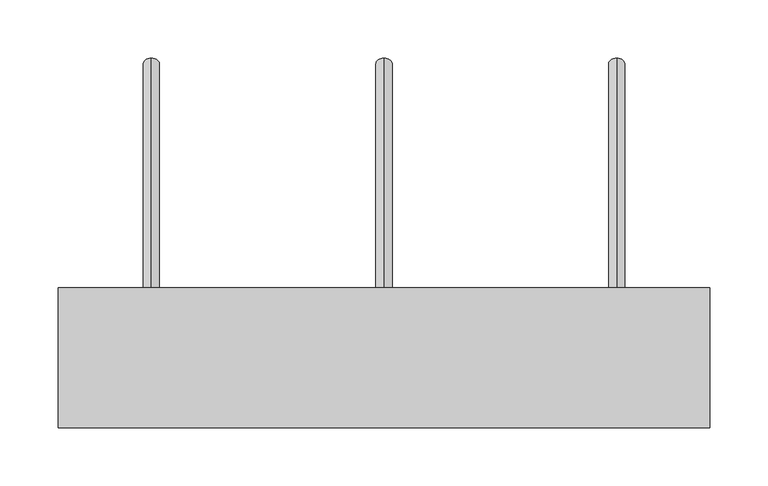
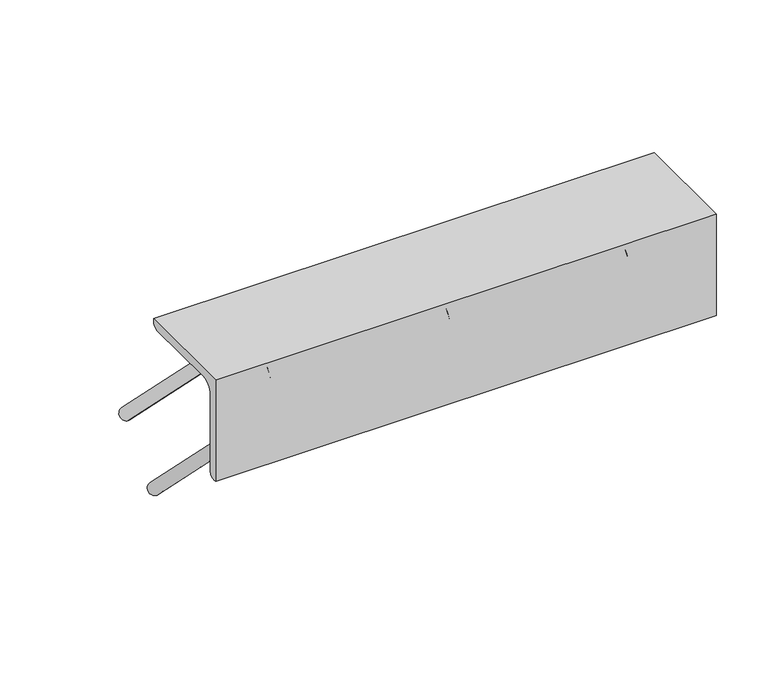
"""IFC4 building model written with IfcOpenShell, lengths in millimetres: fastener geometry."""

from ifc_helpers import new_model, si_unit, point, frame, frame_2d, origin, place, context, project, spatial, polyline, circle_curve, ellipse_curve, trimmed, segment, composite_curve, outline, extrude, source, transform, mapped, element, save
from ifc_brep_helpers import plane_surface, cylinder_surface, revolved_surface, advanced_brep


def fastener_c03353ce(model_context):
    return source(origin(), model_context, "Body", "SolidModel", [
        extrude(outline(composite_curve([segment(polyline([(0.0, 0.0), (120.0, 0.0), (120.0, -3.5)]), True, "CONTINUOUS"), segment(trimmed(circle_curve(frame_2d((113.5, -3.5)), 6.5), [point((120.0, -3.5))], [point((113.5, -10.0))], False, "CARTESIAN"), True, "CONTINUOUS"), segment(polyline([(113.5, -10.0), (23.0, -10.0)]), True, "CONTINUOUS"), segment(trimmed(circle_curve(frame_2d((23.0, -23.0)), 13.0), [point((23.0, -10.0))], [point((10.0, -23.0))], True, "CARTESIAN"), True, "CONTINUOUS"), segment(polyline([(10.0, -23.0), (10.0, -113.5)]), True, "CONTINUOUS"), segment(trimmed(circle_curve(frame_2d((3.5, -113.5)), 6.5), [point((10.0, -113.5))], [point((3.5, -120.0))], False, "CARTESIAN"), True, "CONTINUOUS"), segment(polyline([(3.5, -120.0), (0.0, -120.0), (0.0, 0.0)]), True, "CONTINUOUS")], self_intersect=False)), frame((-280.0, 0.0, 0.0), z_axis=(1.0, 0.0, 0.0), x_axis=(0.0, 1.0, 0.0)), (0.0, 0.0, 1.0), 560.0),
        advanced_brep(
        [(0.0, 262.4371209, -307.5376259), (0.0, 252.5376259, -317.4371209), (0.0, 307.5376259, -262.4371209), (0.0, 317.4371209, -252.5376259), (0.0, 47.0, -10.0), (0.0, 47.0, -24.0), (0.0, 65.7867966, -24.0), (0.0, 65.7867966, -10.0), (0.0, 10.0, -47.0), (0.0, 24.0, -47.0), (0.0, 10.0, -65.7867966), (0.0, 24.0, -65.7867966), (0.0, 26.3431458, -71.4436508), (0.0, 16.4436508, -81.3431458), (0.0, 81.3431458, -16.4436508), (0.0, 71.4436508, -26.3431458)],
        [
            (0, 1, circle_curve(frame((0.0, 257.4873734, -312.4873734), z_axis=(0.0, 0.7071067811865481, -0.7071067811865469), x_axis=(0.0, -0.7071067811865469, -0.7071067811865481)), 7.0)),
            (1, 0, circle_curve(frame((0.0, 257.4873734, -312.4873734), z_axis=(0.0, 0.7071067811865481, -0.7071067811865469), x_axis=(0.0, -0.7071067811865469, -0.7071067811865481)), 7.0)),
            (2, 3, circle_curve(frame((0.0, 312.4873734, -257.4873734), z_axis=(0.0, 0.7071067811865481, -0.707106781186547), x_axis=(0.0, 0.707106781186547, 0.7071067811865481)), 7.0)),
            (3, 2, circle_curve(frame((0.0, 312.4873734, -257.4873734), z_axis=(0.0, 0.7071067811865481, -0.707106781186547), x_axis=(0.0, 0.707106781186547, 0.7071067811865481)), 7.0)),
            (4, 5, circle_curve(frame((0.0, 47.0, -17.0), z_axis=(0.0, 1.0, 0.0), x_axis=(0.0, 0.0, 1.0)), 7.0)),
            (5, 6),
            (6, 7, circle_curve(frame((0.0, 65.7867966, -17.0), z_axis=(0.0, -1.0, 0.0), x_axis=(0.0, 0.0, 1.0)), 7.0)),
            (7, 4),
            (5, 4, circle_curve(frame((0.0, 47.0, -17.0), z_axis=(0.0, 1.0, 0.0), x_axis=(0.0, 0.0, 1.0)), 7.0)),
            (7, 6, circle_curve(frame((0.0, 65.7867966, -17.0), z_axis=(0.0, -1.0, 0.0), x_axis=(0.0, 0.0, 1.0)), 7.0)),
            (4, 8, circle_curve(frame((0.0, 47.0, -47.0), z_axis=(1.0, 0.0, 0.0), x_axis=(0.0, -1.0, 0.0)), 37.0)),
            (8, 9, circle_curve(frame((0.0, 17.0, -47.0), z_axis=(0.0, 0.0, 1.0), x_axis=(0.0, -1.0, 0.0)), 7.0)),
            (9, 5, circle_curve(frame((0.0, 47.0, -47.0), z_axis=(-1.0, 0.0, 0.0), x_axis=(0.0, -1.0, 0.0)), 23.0)),
            (9, 8, circle_curve(frame((0.0, 17.0, -47.0), z_axis=(0.0, 0.0, 1.0), x_axis=(0.0, -1.0, 0.0)), 7.0)),
            (10, 11, circle_curve(frame((0.0, 17.0, -65.7867966), z_axis=(0.0, 0.0, 1.0), x_axis=(0.0, -1.0, 0.0)), 7.0)),
            (11, 9),
            (8, 10),
            (11, 10, circle_curve(frame((0.0, 17.0, -65.7867966), z_axis=(0.0, 0.0, 1.0), x_axis=(0.0, -1.0, 0.0)), 7.0)),
            (0, 12),
            (12, 13, circle_curve(frame((0.0, 21.3933983, -76.3933983), z_axis=(0.0, 0.7071067811865481, -0.7071067811865469), x_axis=(0.0, -0.7071067811865469, -0.7071067811865481)), 7.0)),
            (13, 1),
            (13, 12, circle_curve(frame((0.0, 21.3933983, -76.3933983), z_axis=(0.0, 0.7071067811865481, -0.7071067811865469), x_axis=(0.0, -0.7071067811865469, -0.7071067811865481)), 7.0)),
            (10, 13, circle_curve(frame((0.0, 32.0, -65.7867966), z_axis=(1.0, 0.0, 0.0), x_axis=(0.0, -0.7071067811865468, -0.7071067811865482)), 22.0)),
            (12, 11, circle_curve(frame((0.0, 32.0, -65.7867966), z_axis=(-1.0, 0.0, 0.0), x_axis=(0.0, -0.7071067811865468, -0.7071067811865482)), 8.0)),
            (14, 7, circle_curve(frame((0.0, 65.7867966, -32.0), z_axis=(1.0, 0.0, 0.0), x_axis=(0.0, 0.0, 1.0)), 22.0)),
            (6, 15, circle_curve(frame((0.0, 65.7867966, -32.0), z_axis=(-1.0, 0.0, 0.0), x_axis=(0.0, 0.0, 1.0)), 8.0)),
            (15, 14, circle_curve(frame((0.0, 76.3933983, -21.3933983), z_axis=(0.0, -0.707106781186548, 0.707106781186547), x_axis=(0.0, 0.707106781186547, 0.707106781186548)), 7.0)),
            (14, 15, circle_curve(frame((0.0, 76.3933983, -21.3933983), z_axis=(0.0, -0.7071067811865479, 0.7071067811865471), x_axis=(0.0, 0.7071067811865471, 0.7071067811865479)), 7.0)),
            (15, 2),
            (3, 14),
        ],
        [
            plane_surface(frame((0.0, 257.4873734, -312.4873734), z_axis=(0.0, 0.7071067811865481, -0.7071067811865469), x_axis=(1.0, 0.0, 0.0))),
            plane_surface(frame((0.0, 312.4873734, -257.4873734), z_axis=(0.0, 0.707106781186548, -0.7071067811865471), x_axis=(1.0, 0.0, 0.0))),
            cylinder_surface(frame((0.0, 47.0, -17.0), z_axis=(0.0, -1.0, 0.0), x_axis=(0.0, 0.0, 1.0)), 7.0),
            revolved_surface(trimmed(ellipse_curve(frame((0.0, 17.0, -47.0), z_axis=(0.0, 0.0, -1.0), x_axis=(0.0, -1.0, 0.0)), 7.0, 7.0), [point((0.0, 24.0, -47.0))], [point((0.0, 10.0, -47.0))], True, "CARTESIAN"), (0.0, 47.0, -47.0), (-1.0, 0.0, 0.0)),
            revolved_surface(trimmed(ellipse_curve(frame((0.0, 17.0, -47.0), z_axis=(0.0, 0.0, -1.0), x_axis=(0.0, -1.0, 0.0)), 7.0, 7.0), [point((0.0, 10.0, -47.0))], [point((0.0, 24.0, -47.0))], True, "CARTESIAN"), (0.0, 47.0, -47.0), (-1.0, 0.0, 0.0)),
            cylinder_surface(frame((0.0, 17.0, -65.7867966), z_axis=(0.0, 0.0, -1.0), x_axis=(0.0, -1.0, 0.0)), 7.0),
            cylinder_surface(frame((0.0, 257.4873734, -312.4873734), z_axis=(0.0, 0.7071067811865481, -0.7071067811865469), x_axis=(0.0, -0.7071067811865469, -0.7071067811865481)), 7.0),
            revolved_surface(trimmed(ellipse_curve(frame((0.0, 21.3933983, -76.3933983), z_axis=(0.0, 0.7071067811865483, -0.7071067811865467), x_axis=(0.0, -0.7071067811865467, -0.7071067811865483)), 7.0, 7.0), [point((0.0, 26.3431458, -71.4436508))], [point((0.0, 16.4436508, -81.3431458))], True, "CARTESIAN"), (0.0, 32.0, -65.7867966), (-1.0, 0.0, 0.0)),
            revolved_surface(trimmed(ellipse_curve(frame((0.0, 21.3933983, -76.3933983), z_axis=(0.0, 0.7071067811865483, -0.7071067811865467), x_axis=(0.0, -0.7071067811865467, -0.7071067811865483)), 7.0, 7.0), [point((0.0, 16.4436508, -81.3431458))], [point((0.0, 26.3431458, -71.4436508))], True, "CARTESIAN"), (0.0, 32.0, -65.7867966), (-1.0, 0.0, 0.0)),
            revolved_surface(trimmed(ellipse_curve(frame((0.0, 65.7867966, -17.0), z_axis=(0.0, -1.0, 0.0), x_axis=(0.0, 0.0, 1.0)), 7.0, 7.0), [point((0.0, 65.7867966, -24.0))], [point((0.0, 65.7867966, -10.0))], True, "CARTESIAN"), (0.0, 65.7867966, -32.0), (-1.0, 0.0, 0.0)),
            revolved_surface(trimmed(ellipse_curve(frame((0.0, 65.7867966, -17.0), z_axis=(0.0, -1.0, 0.0), x_axis=(0.0, 0.0, 1.0)), 7.0, 7.0), [point((0.0, 65.7867966, -10.0))], [point((0.0, 65.7867966, -24.0))], True, "CARTESIAN"), (0.0, 65.7867966, -32.0), (-1.0, 0.0, 0.0)),
            cylinder_surface(frame((0.0, 76.3933983, -21.3933983), z_axis=(0.0, -0.7071067811865481, 0.707106781186547), x_axis=(0.0, 0.707106781186547, 0.7071067811865481)), 7.0),
        ],
        [
            (0, [[1, 2]]),
            (1, [[3, 4]]),
            (2, [[5, 6, 7, 8]]),
            (2, [[9, -8, 10, -6]]),
            (3, [[11, 12, 13, -5]]),
            (4, [[-13, 14, -11, -9]]),
            (5, [[15, 16, -12, 17]]),
            (5, [[18, -17, -14, -16]]),
            (6, [[-1, 19, 20, 21]]),
            (6, [[-2, -21, 22, -19]]),
            (7, [[23, -20, 24, -15]]),
            (8, [[-24, -22, -23, -18]]),
            (9, [[25, -7, 26, 27]]),
            (10, [[-26, -10, -25, 28]]),
            (11, [[-27, 29, -4, 30]]),
            (11, [[-28, -30, -3, -29]]),
        ],
    ),
        advanced_brep(
        [(-200.0, 262.4371209, -307.5376259), (-200.0, 252.5376259, -317.4371209), (-200.0, 307.5376259, -262.4371209), (-200.0, 317.4371209, -252.5376259), (-200.0, 47.0, -10.0), (-200.0, 47.0, -24.0), (-200.0, 65.7867966, -24.0), (-200.0, 65.7867966, -10.0), (-200.0, 10.0, -47.0), (-200.0, 24.0, -47.0), (-200.0, 10.0, -65.7867966), (-200.0, 24.0, -65.7867966), (-200.0, 26.3431458, -71.4436508), (-200.0, 16.4436508, -81.3431458), (-200.0, 81.3431458, -16.4436508), (-200.0, 71.4436508, -26.3431458)],
        [
            (0, 1, circle_curve(frame((-200.0, 257.4873734, -312.4873734), z_axis=(0.0, 0.7071067811865482, -0.707106781186547), x_axis=(0.0, -0.707106781186547, -0.7071067811865482)), 7.0)),
            (1, 0, circle_curve(frame((-200.0, 257.4873734, -312.4873734), z_axis=(0.0, 0.7071067811865482, -0.707106781186547), x_axis=(0.0, -0.707106781186547, -0.7071067811865482)), 7.0)),
            (2, 3, circle_curve(frame((-200.0, 312.4873734, -257.4873734), z_axis=(0.0, 0.7071067811865481, -0.707106781186547), x_axis=(0.0, 0.707106781186547, 0.7071067811865481)), 7.0)),
            (3, 2, circle_curve(frame((-200.0, 312.4873734, -257.4873734), z_axis=(0.0, 0.7071067811865481, -0.707106781186547), x_axis=(0.0, 0.707106781186547, 0.7071067811865481)), 7.0)),
            (4, 5, circle_curve(frame((-200.0, 47.0, -17.0), z_axis=(0.0, 1.0, 0.0), x_axis=(0.0, 0.0, 1.0)), 7.0)),
            (5, 6),
            (6, 7, circle_curve(frame((-200.0, 65.7867966, -17.0), z_axis=(0.0, -1.0, 0.0), x_axis=(0.0, 0.0, 1.0)), 7.0)),
            (7, 4),
            (5, 4, circle_curve(frame((-200.0, 47.0, -17.0), z_axis=(0.0, 1.0, 0.0), x_axis=(0.0, 0.0, 1.0)), 7.0)),
            (7, 6, circle_curve(frame((-200.0, 65.7867966, -17.0), z_axis=(0.0, -1.0, 0.0), x_axis=(0.0, 0.0, 1.0)), 7.0)),
            (4, 8, circle_curve(frame((-200.0, 47.0, -47.0), z_axis=(1.0, 0.0, 0.0), x_axis=(0.0, -1.0, 0.0)), 37.0)),
            (8, 9, circle_curve(frame((-200.0, 17.0, -47.0), z_axis=(0.0, 0.0, 1.0), x_axis=(0.0, -1.0, 0.0)), 7.0)),
            (9, 5, circle_curve(frame((-200.0, 47.0, -47.0), z_axis=(-1.0, 0.0, 0.0), x_axis=(0.0, -1.0, 0.0)), 23.0)),
            (9, 8, circle_curve(frame((-200.0, 17.0, -47.0), z_axis=(0.0, 0.0, 1.0), x_axis=(0.0, -1.0, 0.0)), 7.0)),
            (10, 11, circle_curve(frame((-200.0, 17.0, -65.7867966), z_axis=(0.0, 0.0, 1.0), x_axis=(0.0, -1.0, 0.0)), 7.0)),
            (11, 9),
            (8, 10),
            (11, 10, circle_curve(frame((-200.0, 17.0, -65.7867966), z_axis=(0.0, 0.0, 1.0), x_axis=(0.0, -1.0, 0.0)), 7.0)),
            (0, 12),
            (12, 13, circle_curve(frame((-200.0, 21.3933983, -76.3933983), z_axis=(0.0, 0.7071067811865482, -0.707106781186547), x_axis=(0.0, -0.707106781186547, -0.7071067811865482)), 7.0)),
            (13, 1),
            (13, 12, circle_curve(frame((-200.0, 21.3933983, -76.3933983), z_axis=(0.0, 0.7071067811865482, -0.707106781186547), x_axis=(0.0, -0.707106781186547, -0.7071067811865482)), 7.0)),
            (10, 13, circle_curve(frame((-200.0, 32.0, -65.7867966), z_axis=(1.0, 0.0, 0.0), x_axis=(0.0, -0.7071067811865468, -0.7071067811865482)), 22.0)),
            (12, 11, circle_curve(frame((-200.0, 32.0, -65.7867966), z_axis=(-1.0, 0.0, 0.0), x_axis=(0.0, -0.7071067811865468, -0.7071067811865482)), 8.0)),
            (14, 7, circle_curve(frame((-200.0, 65.7867966, -32.0), z_axis=(1.0, 0.0, 0.0), x_axis=(0.0, 0.0, 1.0)), 22.0)),
            (6, 15, circle_curve(frame((-200.0, 65.7867966, -32.0), z_axis=(-1.0, 0.0, 0.0), x_axis=(0.0, 0.0, 1.0)), 8.0)),
            (15, 14, circle_curve(frame((-200.0, 76.3933983, -21.3933983), z_axis=(0.0, -0.7071067811865464, 0.7071067811865487), x_axis=(0.0, 0.7071067811865487, 0.7071067811865464)), 7.0)),
            (14, 15, circle_curve(frame((-200.0, 76.3933983, -21.3933983), z_axis=(0.0, -0.7071067811865474, 0.7071067811865477), x_axis=(0.0, 0.7071067811865477, 0.7071067811865474)), 7.0)),
            (15, 2),
            (3, 14),
        ],
        [
            plane_surface(frame((-200.0, 257.4873734, -312.4873734), z_axis=(0.0, 0.7071067811865482, -0.707106781186547), x_axis=(1.0, 0.0, 0.0))),
            plane_surface(frame((-200.0, 312.4873734, -257.4873734), z_axis=(0.0, 0.7071067811865481, -0.707106781186547), x_axis=(1.0, 0.0, 0.0))),
            cylinder_surface(frame((-200.0, 47.0, -17.0), z_axis=(0.0, -1.0, 0.0), x_axis=(0.0, 0.0, 1.0)), 7.0),
            revolved_surface(trimmed(ellipse_curve(frame((-200.0, 17.0, -47.0), z_axis=(0.0, 0.0, -1.0), x_axis=(0.0, -1.0, 0.0)), 7.0, 7.0), [point((-200.0, 24.0, -47.0))], [point((-200.0, 10.0, -47.0))], True, "CARTESIAN"), (-200.0, 47.0, -47.0), (-1.0, 0.0, 0.0)),
            revolved_surface(trimmed(ellipse_curve(frame((-200.0, 17.0, -47.0), z_axis=(0.0, 0.0, -1.0), x_axis=(0.0, -1.0, 0.0)), 7.0, 7.0), [point((-200.0, 10.0, -47.0))], [point((-200.0, 24.0, -47.0))], True, "CARTESIAN"), (-200.0, 47.0, -47.0), (-1.0, 0.0, 0.0)),
            cylinder_surface(frame((-200.0, 17.0, -65.7867966), z_axis=(0.0, 0.0, -1.0), x_axis=(0.0, -1.0, 0.0)), 7.0),
            cylinder_surface(frame((-200.0, 257.4873734, -312.4873734), z_axis=(0.0, 0.7071067811865482, -0.707106781186547), x_axis=(0.0, -0.707106781186547, -0.7071067811865482)), 7.0),
            revolved_surface(trimmed(ellipse_curve(frame((-200.0, 21.3933983, -76.3933983), z_axis=(0.0, 0.7071067811865482, -0.7071067811865468), x_axis=(0.0, -0.7071067811865468, -0.7071067811865482)), 7.0, 7.0), [point((-200.0, 26.3431458, -71.4436508))], [point((-200.0, 16.4436508, -81.3431458))], True, "CARTESIAN"), (-200.0, 32.0, -65.7867966), (-1.0, 0.0, 0.0)),
            revolved_surface(trimmed(ellipse_curve(frame((-200.0, 21.3933983, -76.3933983), z_axis=(0.0, 0.7071067811865482, -0.7071067811865468), x_axis=(0.0, -0.7071067811865468, -0.7071067811865482)), 7.0, 7.0), [point((-200.0, 16.4436508, -81.3431458))], [point((-200.0, 26.3431458, -71.4436508))], True, "CARTESIAN"), (-200.0, 32.0, -65.7867966), (-1.0, 0.0, 0.0)),
            revolved_surface(trimmed(ellipse_curve(frame((-200.0, 65.7867966, -17.0), z_axis=(0.0, -1.0, 0.0), x_axis=(0.0, 0.0, 1.0)), 7.0, 7.0), [point((-200.0, 65.7867966, -24.0))], [point((-200.0, 65.7867966, -10.0))], True, "CARTESIAN"), (-200.0, 65.7867966, -32.0), (-1.0, 0.0, 0.0)),
            revolved_surface(trimmed(ellipse_curve(frame((-200.0, 65.7867966, -17.0), z_axis=(0.0, -1.0, 0.0), x_axis=(0.0, 0.0, 1.0)), 7.0, 7.0), [point((-200.0, 65.7867966, -10.0))], [point((-200.0, 65.7867966, -24.0))], True, "CARTESIAN"), (-200.0, 65.7867966, -32.0), (-1.0, 0.0, 0.0)),
            cylinder_surface(frame((-200.0, 76.3933983, -21.3933983), z_axis=(0.0, -0.7071067811865481, 0.707106781186547), x_axis=(0.0, 0.707106781186547, 0.7071067811865481)), 7.0),
        ],
        [
            (0, [[1, 2]]),
            (1, [[3, 4]]),
            (2, [[5, 6, 7, 8]]),
            (2, [[9, -8, 10, -6]]),
            (3, [[11, 12, 13, -5]]),
            (4, [[-13, 14, -11, -9]]),
            (5, [[15, 16, -12, 17]]),
            (5, [[18, -17, -14, -16]]),
            (6, [[-1, 19, 20, 21]]),
            (6, [[-2, -21, 22, -19]]),
            (7, [[23, -20, 24, -15]]),
            (8, [[-24, -22, -23, -18]]),
            (9, [[25, -7, 26, 27]]),
            (10, [[-26, -10, -25, 28]]),
            (11, [[-27, 29, -4, 30]]),
            (11, [[-28, -30, -3, -29]]),
        ],
    ),
        advanced_brep(
        [(200.0, 252.5376259, -317.4371209), (200.0, 262.4371209, -307.5376259), (200.0, 317.4371209, -252.5376259), (200.0, 307.5376259, -262.4371209), (200.0, 47.0, -24.0), (200.0, 47.0, -10.0), (200.0, 65.7867966, -10.0), (200.0, 65.7867966, -24.0), (200.0, 24.0, -47.0), (200.0, 10.0, -47.0), (200.0, 24.0, -65.7867966), (200.0, 10.0, -65.7867966), (200.0, 16.4436508, -81.3431458), (200.0, 26.3431458, -71.4436508), (200.0, 71.4436508, -26.3431458), (200.0, 81.3431458, -16.4436508)],
        [
            (0, 1, circle_curve(frame((200.0, 257.4873734, -312.4873734), z_axis=(0.0, 0.7071067811865482, -0.707106781186547), x_axis=(0.0, 0.707106781186547, 0.7071067811865482)), 7.0)),
            (1, 0, circle_curve(frame((200.0, 257.4873734, -312.4873734), z_axis=(0.0, 0.7071067811865482, -0.707106781186547), x_axis=(0.0, 0.707106781186547, 0.7071067811865482)), 7.0)),
            (2, 3, circle_curve(frame((200.0, 312.4873734, -257.4873734), z_axis=(0.0, 0.707106781186548, -0.707106781186547), x_axis=(0.0, -0.707106781186547, -0.707106781186548)), 7.0)),
            (3, 2, circle_curve(frame((200.0, 312.4873734, -257.4873734), z_axis=(0.0, 0.707106781186548, -0.707106781186547), x_axis=(0.0, -0.707106781186547, -0.707106781186548)), 7.0)),
            (4, 5, circle_curve(frame((200.0, 47.0, -17.0), z_axis=(0.0, 1.0, 0.0), x_axis=(0.0, 0.0, -1.0)), 7.0)),
            (5, 6),
            (6, 7, circle_curve(frame((200.0, 65.7867966, -17.0), z_axis=(0.0, -1.0, 0.0), x_axis=(0.0, 0.0, -1.0)), 7.0)),
            (7, 4),
            (5, 4, circle_curve(frame((200.0, 47.0, -17.0), z_axis=(0.0, 1.0, 0.0), x_axis=(0.0, 0.0, -1.0)), 7.0)),
            (7, 6, circle_curve(frame((200.0, 65.7867966, -17.0), z_axis=(0.0, -1.0, 0.0), x_axis=(0.0, 0.0, -1.0)), 7.0)),
            (4, 8, circle_curve(frame((200.0, 47.0, -47.0), z_axis=(1.0, 0.0, 0.0), x_axis=(0.0, -1.0, 0.0)), 23.0)),
            (8, 9, circle_curve(frame((200.0, 17.0, -47.0), z_axis=(0.0, 0.0, 1.0), x_axis=(0.0, 1.0, 0.0)), 7.0)),
            (9, 5, circle_curve(frame((200.0, 47.0, -47.0), z_axis=(-1.0, 0.0, 0.0), x_axis=(0.0, -1.0, 0.0)), 37.0)),
            (9, 8, circle_curve(frame((200.0, 17.0, -47.0), z_axis=(0.0, 0.0, 1.0), x_axis=(0.0, 1.0, 0.0)), 7.0)),
            (10, 11, circle_curve(frame((200.0, 17.0, -65.7867966), z_axis=(0.0, 0.0, 1.0), x_axis=(0.0, 1.0, 0.0)), 7.0)),
            (11, 9),
            (8, 10),
            (11, 10, circle_curve(frame((200.0, 17.0, -65.7867966), z_axis=(0.0, 0.0, 1.0), x_axis=(0.0, 1.0, 0.0)), 7.0)),
            (0, 12),
            (12, 13, circle_curve(frame((200.0, 21.3933983, -76.3933983), z_axis=(0.0, 0.7071067811865482, -0.707106781186547), x_axis=(0.0, 0.707106781186547, 0.7071067811865482)), 7.0)),
            (13, 1),
            (13, 12, circle_curve(frame((200.0, 21.3933983, -76.3933983), z_axis=(0.0, 0.7071067811865482, -0.707106781186547), x_axis=(0.0, 0.707106781186547, 0.7071067811865482)), 7.0)),
            (10, 13, circle_curve(frame((200.0, 32.0, -65.7867966), z_axis=(1.0, 0.0, 0.0), x_axis=(0.0, -0.7071067811865468, -0.7071067811865482)), 8.0)),
            (12, 11, circle_curve(frame((200.0, 32.0, -65.7867966), z_axis=(-1.0, 0.0, 0.0), x_axis=(0.0, -0.7071067811865468, -0.7071067811865482)), 22.0)),
            (14, 7, circle_curve(frame((200.0, 65.7867966, -32.0), z_axis=(1.0, 0.0, 0.0), x_axis=(0.0, 0.0, 1.0)), 8.0)),
            (6, 15, circle_curve(frame((200.0, 65.7867966, -32.0), z_axis=(-1.0, 0.0, 0.0), x_axis=(0.0, 0.0, 1.0)), 22.0)),
            (15, 14, circle_curve(frame((200.0, 76.3933983, -21.3933983), z_axis=(0.0, -0.7071067811865479, 0.7071067811865471), x_axis=(0.0, -0.7071067811865471, -0.7071067811865479)), 7.0)),
            (14, 15, circle_curve(frame((200.0, 76.3933983, -21.3933983), z_axis=(0.0, -0.7071067811865476, 0.7071067811865475), x_axis=(0.0, -0.7071067811865475, -0.7071067811865476)), 7.0)),
            (15, 2),
            (3, 14),
        ],
        [
            plane_surface(frame((200.0, 257.4873734, -312.4873734), z_axis=(0.0, 0.7071067811865482, -0.707106781186547), x_axis=(-1.0, 0.0, 0.0))),
            plane_surface(frame((200.0, 312.4873734, -257.4873734), z_axis=(0.0, 0.707106781186548, -0.707106781186547), x_axis=(-1.0, 0.0, 0.0))),
            cylinder_surface(frame((200.0, 47.0, -17.0), z_axis=(0.0, -1.0, 0.0), x_axis=(0.0, 0.0, -1.0)), 7.0),
            revolved_surface(trimmed(ellipse_curve(frame((200.0, 17.0, -47.0), z_axis=(0.0, 0.0, -1.0), x_axis=(0.0, 1.0, 0.0)), 7.0, 7.0), [point((200.0, 10.0, -47.0))], [point((200.0, 24.0, -47.0))], True, "CARTESIAN"), (200.0, 47.0, -47.0), (-1.0, 0.0, 0.0)),
            revolved_surface(trimmed(ellipse_curve(frame((200.0, 17.0, -47.0), z_axis=(0.0, 0.0, -1.0), x_axis=(0.0, 1.0, 0.0)), 7.0, 7.0), [point((200.0, 24.0, -47.0))], [point((200.0, 10.0, -47.0))], True, "CARTESIAN"), (200.0, 47.0, -47.0), (-1.0, 0.0, 0.0)),
            cylinder_surface(frame((200.0, 17.0, -65.7867966), z_axis=(0.0, 0.0, -1.0), x_axis=(0.0, 1.0, 0.0)), 7.0),
            cylinder_surface(frame((200.0, 257.4873734, -312.4873734), z_axis=(0.0, 0.7071067811865482, -0.707106781186547), x_axis=(0.0, 0.707106781186547, 0.7071067811865482)), 7.0),
            revolved_surface(trimmed(ellipse_curve(frame((200.0, 21.3933983, -76.3933983), z_axis=(0.0, 0.7071067811865482, -0.7071067811865468), x_axis=(0.0, 0.7071067811865468, 0.7071067811865482)), 7.0, 7.0), [point((200.0, 16.4436508, -81.3431458))], [point((200.0, 26.3431458, -71.4436508))], True, "CARTESIAN"), (200.0, 32.0, -65.7867966), (-1.0, 0.0, 0.0)),
            revolved_surface(trimmed(ellipse_curve(frame((200.0, 21.3933983, -76.3933983), z_axis=(0.0, 0.7071067811865482, -0.7071067811865468), x_axis=(0.0, 0.7071067811865468, 0.7071067811865482)), 7.0, 7.0), [point((200.0, 26.3431458, -71.4436508))], [point((200.0, 16.4436508, -81.3431458))], True, "CARTESIAN"), (200.0, 32.0, -65.7867966), (-1.0, 0.0, 0.0)),
            revolved_surface(trimmed(ellipse_curve(frame((200.0, 65.7867966, -17.0), z_axis=(0.0, -1.0, 0.0), x_axis=(0.0, 0.0, -1.0)), 7.0, 7.0), [point((200.0, 65.7867966, -10.0))], [point((200.0, 65.7867966, -24.0))], True, "CARTESIAN"), (200.0, 65.7867966, -32.0), (-1.0, 0.0, 0.0)),
            revolved_surface(trimmed(ellipse_curve(frame((200.0, 65.7867966, -17.0), z_axis=(0.0, -1.0, 0.0), x_axis=(0.0, 0.0, -1.0)), 7.0, 7.0), [point((200.0, 65.7867966, -24.0))], [point((200.0, 65.7867966, -10.0))], True, "CARTESIAN"), (200.0, 65.7867966, -32.0), (-1.0, 0.0, 0.0)),
            cylinder_surface(frame((200.0, 76.3933983, -21.3933983), z_axis=(0.0, -0.707106781186548, 0.707106781186547), x_axis=(0.0, -0.707106781186547, -0.707106781186548)), 7.0),
        ],
        [
            (0, [[1, 2]]),
            (1, [[3, 4]]),
            (2, [[5, 6, 7, 8]]),
            (2, [[9, -8, 10, -6]]),
            (3, [[11, 12, 13, -5]]),
            (4, [[-13, 14, -11, -9]]),
            (5, [[15, 16, -12, 17]]),
            (5, [[18, -17, -14, -16]]),
            (6, [[-1, 19, 20, 21]]),
            (6, [[-2, -21, 22, -19]]),
            (7, [[23, -20, 24, -15]]),
            (8, [[-24, -22, -23, -18]]),
            (9, [[25, -7, 26, 27]]),
            (10, [[-26, -10, -25, 28]]),
            (11, [[-27, 29, -4, 30]]),
            (11, [[-28, -30, -3, -29]]),
        ],
    ),
    ])


if __name__ == "__main__":
    model = new_model("IFC4")
    model_context = context("Model", 3, world=origin())
    ifc_project = project(units=[si_unit("LENGTHUNIT", "METRE", prefix="MILLI")], contexts=[model_context])
    site = spatial("IfcSite", under=ifc_project)
    building = spatial("IfcBuilding", under=site)
    placement = place(None, origin())
    fastener_shape = fastener_c03353ce(model_context)
    element("IfcFastener", 1, at=placement, inside=building, context=model_context, shape_type="MappedRepresentation", body=[
        mapped(fastener_shape, transform((0.0, 0.0, 0.0), x_axis=(1.0, 0.0, 0.0), y_axis=(0.0, 1.0, 0.0), z_axis=(0.0, 0.0, 1.0))),
    ])
    save(model, "model.ifc")
